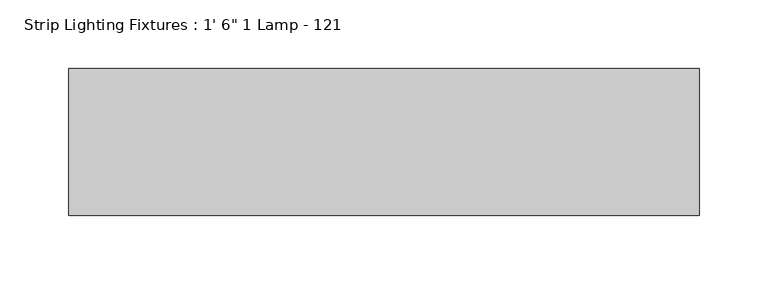
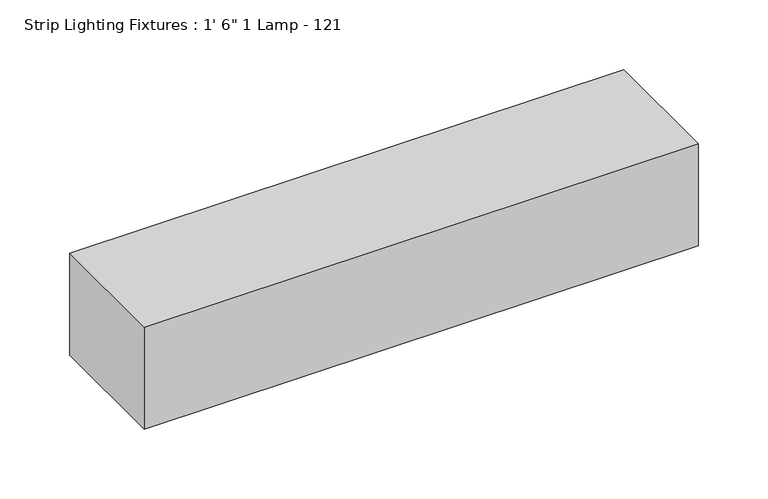
"""IFC4 building model written with IfcOpenShell, lengths in millimetres: light fixture geometry."""

from ifc_helpers import new_model, si_unit, origin, origin_with_axes, place, context, project, spatial, polyline, outline, extrude, source, transform, mapped, element, save


def light_fixture_d740fefc(model_context):
    return source(origin(), model_context, "Body", "SweptSolid", [
        extrude(outline(polyline([(457.2, 53.18125), (457.2, -53.18125), (0.0, -53.18125), (0.0, 53.18125), (457.2, 53.18125)])), origin_with_axes(), (0.0, 0.0, 1.0), 88.9),
    ])


if __name__ == "__main__":
    model = new_model("IFC4")
    model_context = context("Model", 3, world=origin())
    ifc_project = project(units=[si_unit("LENGTHUNIT", "METRE", prefix="MILLI")], contexts=[model_context])
    site = spatial("IfcSite", under=ifc_project)
    building = spatial("IfcBuilding", under=site)
    placement = place(None, origin())
    light_fixture_shape = light_fixture_d740fefc(model_context)
    element("IfcLightFixture", 1, ObjectType="Strip Lighting Fixtures : 1' 6\" 1 Lamp - 121", at=placement, inside=building, context=model_context, shape_type="MappedRepresentation", body=[
        mapped(light_fixture_shape, transform((0.0, 0.0, 0.0), x_axis=(1.0, 0.0, 0.0), y_axis=(0.0, 1.0, 0.0), z_axis=(0.0, 0.0, 1.0))),
    ])
    save(model, "model.ifc")
